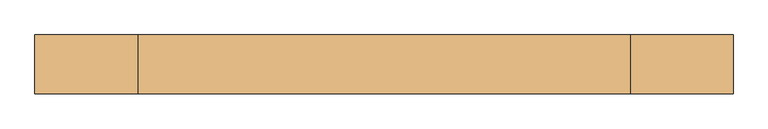
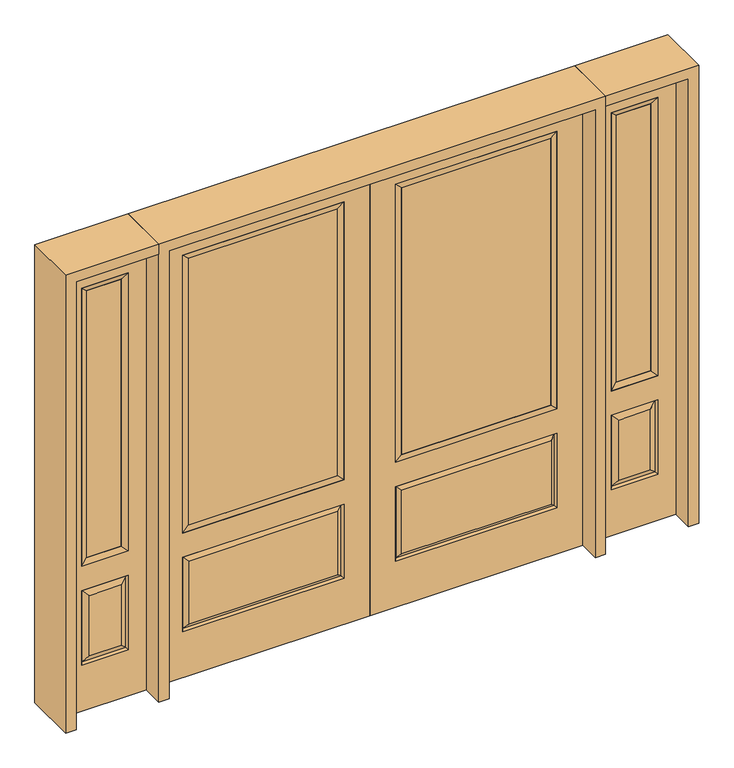
"""IFC4 building model written with IfcOpenShell, lengths in millimetres: door geometry."""

from ifc_helpers import new_model, si_unit, frame, origin, place, context, project, spatial, polyline, outline, extrude, faceted_brep, source, transform, mapped, element, save


def door_a776c0f4(model_context):
    return source(origin(), model_context, "Body", "SolidModel", [
        faceted_brep([(796.1661499, -12.7912373, 216.6588501), (778.66875, -22.225, 234.15625), (135.73125, -22.225, 234.15625), (118.2338501, -12.7912373, 216.6588501), (111.125, -22.225, 209.55), (803.275, -22.225, 209.55), (803.275, -22.225, 546.1), (796.1661499, -12.7912373, 538.9911499), (0.0, -22.225, 2032.0), (0.0, -22.225, 0.0), (914.4, -22.225, 0.0), (914.4, -22.225, 2032.0), (111.125, -22.225, 546.1), (111.125, -22.225, 1917.7), (803.275, -22.225, 1917.7), (803.275, -22.225, 657.098), (111.125, -22.225, 657.098), (778.66875, -22.225, 521.49375), (135.73125, -22.225, 521.49375), (118.2338501, -12.7912373, 538.9911499), (914.4, 22.225, 0.0), (914.4, 22.225, 2032.0), (0.0, 22.225, 0.0), (0.0, 22.225, 2032.0), (111.125, 22.225, 657.098), (111.125, 22.225, 1917.7), (803.275, 22.225, 657.098), (803.275, 22.225, 1917.7), (135.73125, 22.225, 234.15625), (135.73125, 22.225, 521.49375), (778.66875, 22.225, 521.49375), (778.66875, 22.225, 234.15625), (803.275, 22.225, 209.55), (803.275, 22.225, 546.1), (111.125, 22.225, 546.1), (111.125, 22.225, 209.55), (118.2338501, 12.7912373, 216.6588501), (796.1661499, 12.7912373, 216.6588501), (118.2338501, 12.7912373, 538.9911499), (796.1661499, 12.7912373, 538.9911499)], [[[0, 1, 2, 3]], [[3, 4, 5, 0]], [[5, 6, 7, 0]], [[8, 9, 10, 11], [4, 12, 6, 5], [13, 14, 15, 16]], [[1, 17, 18, 2]], [[3, 19, 12, 4]], [[2, 18, 19, 3]], [[0, 7, 17, 1]], [[6, 12, 19, 7]], [[7, 19, 18, 17]], [[10, 20, 21, 11]], [[9, 22, 20, 10]], [[8, 23, 22, 9]], [[16, 24, 25, 13]], [[15, 26, 24, 16]], [[14, 27, 26, 15]], [[28, 29, 30, 31]], [[23, 21, 20, 22], [25, 24, 26, 27], [32, 33, 34, 35]], [[32, 35, 36, 37]], [[35, 34, 38, 36]], [[39, 38, 34, 33]], [[37, 39, 33, 32]], [[36, 28, 31, 37]], [[31, 30, 39, 37]], [[30, 29, 38, 39]], [[36, 38, 29, 28]], [[11, 21, 23, 8]], [[13, 25, 27, 14]]]),
        faceted_brep([(803.275, -22.225, 1917.7), (803.275, -22.225, 657.098), (803.275, 22.225, 657.098), (803.275, 22.225, 1917.7), (111.125, -22.225, 657.098), (111.125, 22.225, 657.098), (136.525, 5.08, 682.498), (777.875, 5.08, 682.498), (111.125, -22.225, 1917.7), (111.125, 22.225, 1917.7), (777.875, -20.32, 682.498), (136.525, -20.32, 682.498), (777.875, -20.32, 1892.3), (136.525, -20.32, 1892.3), (777.875, 5.08, 1892.3), (136.525, 5.08, 1892.3)], [[[0, 1, 2, 3]], [[1, 4, 5, 2]], [[2, 5, 6, 7]], [[4, 8, 9, 5]], [[10, 11, 4, 1]], [[12, 10, 1, 0]], [[11, 13, 8, 4]], [[7, 6, 11, 10]], [[14, 7, 10, 12]], [[6, 15, 13, 11]], [[3, 2, 7, 14]], [[5, 9, 15, 6]], [[8, 0, 3, 9]], [[13, 12, 0, 8]], [[15, 14, 12, 13]], [[9, 3, 14, 15]]]),
        extrude(outline(polyline([(136.525, -20.32), (136.525, 5.08), (777.875, 5.08), (777.875, -20.32), (136.525, -20.32)])), frame((0.0, 0.0, 682.498), z_axis=(0.0, 0.0, 1.0), x_axis=(1.0, 0.0, 0.0)), (0.0, 0.0, 1.0), 1209.802),
        faceted_brep([(958.85, -22.225, 0.0), (1314.45, -22.225, 0.0), (1314.45, -22.225, 2032.0), (958.85, -22.225, 2032.0), (1236.98, -22.225, 1919.224), (1236.98, -22.225, 657.098), (1036.32, -22.225, 657.098), (1036.32, -22.225, 1919.224), (1236.98, -22.225, 209.55), (1036.32, -22.225, 209.55), (1036.32, -22.225, 546.1), (1236.98, -22.225, 546.1), (1068.0351001, -22.225, 241.2651001), (1205.2648999, -22.225, 241.2651001), (1205.2648999, -22.225, 514.3848999), (1068.0351001, -22.225, 514.3848999), (958.85, 22.225, 0.0), (958.85, 22.225, 2032.0), (1314.45, 22.225, 2032.0), (1314.45, 22.225, 0.0), (1236.98, 22.225, 1919.224), (1036.32, 22.225, 1919.224), (1036.32, 22.225, 657.098), (1236.98, 22.225, 657.098), (1036.32, 22.225, 209.55), (1236.98, 22.225, 209.55), (1236.98, 22.225, 546.1), (1036.32, 22.225, 546.1), (1205.2648999, 22.225, 241.2651001), (1068.0351001, 22.225, 241.2651001), (1068.0351001, 22.225, 514.3848999), (1205.2648999, 22.225, 514.3848999), (1229.8711499, 12.7912373, 216.6588501), (1043.4288501, 12.7912373, 216.6588501), (1043.4288501, 12.7912373, 538.9911499), (1229.8711499, 12.7912373, 538.9911499), (1043.4288501, -12.7912373, 216.6588501), (1229.8711499, -12.7912373, 216.6588501), (1043.4288501, -12.7912373, 538.9911499), (1229.8711499, -12.7912373, 538.9911499)], [[[0, 1, 2, 3], [4, 5, 6, 7], [8, 9, 10, 11]], [[12, 13, 14, 15]], [[16, 17, 18, 19], [20, 21, 22, 23], [24, 25, 26, 27]], [[28, 29, 30, 31]], [[1, 0, 16, 19]], [[2, 1, 19, 18]], [[3, 2, 18, 17]], [[0, 3, 17, 16]], [[5, 4, 20, 23]], [[6, 5, 23, 22]], [[7, 6, 22, 21]], [[4, 7, 21, 20]], [[32, 33, 29, 28]], [[33, 32, 25, 24]], [[29, 33, 34, 30]], [[33, 24, 27, 34]], [[30, 34, 35, 31]], [[34, 27, 26, 35]], [[32, 28, 31, 35]], [[25, 32, 35, 26]], [[12, 36, 37, 13]], [[37, 36, 9, 8]], [[36, 12, 15, 38]], [[9, 36, 38, 10]], [[38, 15, 14, 39]], [[10, 38, 39, 11]], [[13, 37, 39, 14]], [[37, 8, 11, 39]]]),
        faceted_brep([(1036.32, 22.225, 1919.224), (1036.32, -22.225, 1919.224), (1236.98, -22.225, 1919.224), (1236.98, 22.225, 1919.224), (1061.72, 12.7, 1893.824), (1211.58, 12.7, 1893.824), (1061.72, -12.7, 1893.824), (1211.58, -12.7, 1893.824), (1236.98, -22.225, 657.098), (1236.98, 22.225, 657.098), (1211.58, 12.7, 682.498), (1211.58, -12.7, 682.498), (1036.32, -22.225, 657.098), (1036.32, 22.225, 657.098), (1061.72, 12.7, 682.498), (1061.72, -12.7, 682.498)], [[[0, 1, 2, 3]], [[4, 0, 3, 5]], [[6, 4, 5, 7]], [[1, 6, 7, 2]], [[3, 2, 8, 9]], [[5, 3, 9, 10]], [[7, 5, 10, 11]], [[2, 7, 11, 8]], [[9, 8, 12, 13]], [[10, 9, 13, 14]], [[11, 10, 14, 15]], [[8, 11, 15, 12]], [[13, 12, 1, 0]], [[14, 13, 0, 4]], [[15, 14, 4, 6]], [[12, 15, 6, 1]]]),
        extrude(outline(polyline([(1211.58, -12.7), (1061.72, -12.7), (1061.72, 12.7), (1211.58, 12.7), (1211.58, -12.7)])), frame((0.0, 0.0, 682.498), z_axis=(0.0, 0.0, 1.0), x_axis=(1.0, 0.0, 0.0)), (0.0, 0.0, 1.0), 1211.326),
        faceted_brep([(-1314.45, -22.225, 0.0), (-958.85, -22.225, 0.0), (-958.85, -22.225, 2032.0), (-1314.45, -22.225, 2032.0), (-1036.32, -22.225, 1919.224), (-1036.32, -22.225, 657.098), (-1236.98, -22.225, 657.098), (-1236.98, -22.225, 1919.224), (-1036.32, -22.225, 209.55), (-1236.98, -22.225, 209.55), (-1236.98, -22.225, 546.1), (-1036.32, -22.225, 546.1), (-1205.2648999, -22.225, 241.2651001), (-1068.0351001, -22.225, 241.2651001), (-1068.0351001, -22.225, 514.3848999), (-1205.2648999, -22.225, 514.3848999), (-1314.45, 22.225, 0.0), (-1314.45, 22.225, 2032.0), (-958.85, 22.225, 2032.0), (-958.85, 22.225, 0.0), (-1036.32, 22.225, 1919.224), (-1236.98, 22.225, 1919.224), (-1236.98, 22.225, 657.098), (-1036.32, 22.225, 657.098), (-1236.98, 22.225, 209.55), (-1036.32, 22.225, 209.55), (-1036.32, 22.225, 546.1), (-1236.98, 22.225, 546.1), (-1068.0351001, 22.225, 241.2651001), (-1205.2648999, 22.225, 241.2651001), (-1205.2648999, 22.225, 514.3848999), (-1068.0351001, 22.225, 514.3848999), (-1043.4288501, 12.7912373, 216.6588501), (-1229.8711499, 12.7912373, 216.6588501), (-1229.8711499, 12.7912373, 538.9911499), (-1043.4288501, 12.7912373, 538.9911499), (-1229.8711499, -12.7912373, 216.6588501), (-1043.4288501, -12.7912373, 216.6588501), (-1229.8711499, -12.7912373, 538.9911499), (-1043.4288501, -12.7912373, 538.9911499)], [[[0, 1, 2, 3], [4, 5, 6, 7], [8, 9, 10, 11]], [[12, 13, 14, 15]], [[16, 17, 18, 19], [20, 21, 22, 23], [24, 25, 26, 27]], [[28, 29, 30, 31]], [[1, 0, 16, 19]], [[2, 1, 19, 18]], [[3, 2, 18, 17]], [[0, 3, 17, 16]], [[5, 4, 20, 23]], [[6, 5, 23, 22]], [[7, 6, 22, 21]], [[4, 7, 21, 20]], [[32, 33, 29, 28]], [[33, 32, 25, 24]], [[29, 33, 34, 30]], [[33, 24, 27, 34]], [[30, 34, 35, 31]], [[34, 27, 26, 35]], [[32, 28, 31, 35]], [[25, 32, 35, 26]], [[12, 36, 37, 13]], [[37, 36, 9, 8]], [[36, 12, 15, 38]], [[9, 36, 38, 10]], [[38, 15, 14, 39]], [[10, 38, 39, 11]], [[13, 37, 39, 14]], [[37, 8, 11, 39]]]),
        faceted_brep([(-1236.98, 22.225, 1919.224), (-1236.98, -22.225, 1919.224), (-1036.32, -22.225, 1919.224), (-1036.32, 22.225, 1919.224), (-1211.58, 12.7, 1893.824), (-1061.72, 12.7, 1893.824), (-1211.58, -12.7, 1893.824), (-1061.72, -12.7, 1893.824), (-1036.32, -22.225, 657.098), (-1036.32, 22.225, 657.098), (-1061.72, 12.7, 682.498), (-1061.72, -12.7, 682.498), (-1236.98, -22.225, 657.098), (-1236.98, 22.225, 657.098), (-1211.58, 12.7, 682.498), (-1211.58, -12.7, 682.498)], [[[0, 1, 2, 3]], [[4, 0, 3, 5]], [[6, 4, 5, 7]], [[1, 6, 7, 2]], [[3, 2, 8, 9]], [[5, 3, 9, 10]], [[7, 5, 10, 11]], [[2, 7, 11, 8]], [[9, 8, 12, 13]], [[10, 9, 13, 14]], [[11, 10, 14, 15]], [[8, 11, 15, 12]], [[13, 12, 1, 0]], [[14, 13, 0, 4]], [[15, 14, 4, 6]], [[12, 15, 6, 1]]]),
        extrude(outline(polyline([(-1061.72, -12.7), (-1211.58, -12.7), (-1211.58, 12.7), (-1061.72, 12.7), (-1061.72, -12.7)])), frame((0.0, 0.0, 682.498), z_axis=(0.0, 0.0, 1.0), x_axis=(1.0, 0.0, 0.0)), (0.0, 0.0, 1.0), 1211.326),
        faceted_brep([(-796.1661499, -12.7912373, 216.6588501), (-118.2338501, -12.7912373, 216.6588501), (-135.73125, -22.225, 234.15625), (-778.66875, -22.225, 234.15625), (-803.275, -22.225, 209.55), (-111.125, -22.225, 209.55), (-796.1661499, -12.7912373, 538.9911499), (-803.275, -22.225, 546.1), (-135.73125, -22.225, 521.49375), (-778.66875, -22.225, 521.49375), (0.0, -22.225, 2032.0), (-914.4, -22.225, 2032.0), (-914.4, -22.225, 0.0), (0.0, -22.225, 0.0), (-111.125, -22.225, 546.1), (-111.125, -22.225, 1917.7), (-111.125, -22.225, 657.098), (-803.275, -22.225, 657.098), (-803.275, -22.225, 1917.7), (-118.2338501, -12.7912373, 538.9911499), (-914.4, 22.225, 2032.0), (-914.4, 22.225, 0.0), (0.0, 22.225, 0.0), (0.0, 22.225, 2032.0), (-111.125, 22.225, 1917.7), (-111.125, 22.225, 657.098), (-803.275, 22.225, 657.098), (-803.275, 22.225, 1917.7), (-803.275, 22.225, 209.55), (-111.125, 22.225, 209.55), (-111.125, 22.225, 546.1), (-803.275, 22.225, 546.1), (-135.73125, 22.225, 234.15625), (-778.66875, 22.225, 234.15625), (-778.66875, 22.225, 521.49375), (-135.73125, 22.225, 521.49375), (-796.1661499, 12.7912373, 216.6588501), (-118.2338501, 12.7912373, 216.6588501), (-118.2338501, 12.7912373, 538.9911499), (-796.1661499, 12.7912373, 538.9911499)], [[[0, 1, 2, 3]], [[1, 0, 4, 5]], [[4, 0, 6, 7]], [[3, 2, 8, 9]], [[10, 11, 12, 13], [5, 4, 7, 14], [15, 16, 17, 18]], [[1, 5, 14, 19]], [[2, 1, 19, 8]], [[0, 3, 9, 6]], [[7, 6, 19, 14]], [[6, 9, 8, 19]], [[12, 11, 20, 21]], [[13, 12, 21, 22]], [[10, 13, 22, 23]], [[16, 15, 24, 25]], [[17, 16, 25, 26]], [[18, 17, 26, 27]], [[23, 22, 21, 20], [28, 29, 30, 31], [24, 27, 26, 25]], [[32, 33, 34, 35]], [[28, 36, 37, 29]], [[29, 37, 38, 30]], [[39, 31, 30, 38]], [[36, 28, 31, 39]], [[37, 36, 33, 32]], [[33, 36, 39, 34]], [[34, 39, 38, 35]], [[37, 32, 35, 38]], [[11, 10, 23, 20]], [[15, 18, 27, 24]]]),
        faceted_brep([(-803.275, -22.225, 1917.7), (-803.275, 22.225, 1917.7), (-803.275, 22.225, 657.098), (-803.275, -22.225, 657.098), (-111.125, 22.225, 657.098), (-111.125, -22.225, 657.098), (-777.875, 5.08, 682.498), (-136.525, 5.08, 682.498), (-111.125, 22.225, 1917.7), (-111.125, -22.225, 1917.7), (-777.875, -20.32, 682.498), (-136.525, -20.32, 682.498), (-777.875, -20.32, 1892.3), (-136.525, -20.32, 1892.3), (-777.875, 5.08, 1892.3), (-136.525, 5.08, 1892.3)], [[[0, 1, 2, 3]], [[3, 2, 4, 5]], [[2, 6, 7, 4]], [[5, 4, 8, 9]], [[10, 3, 5, 11]], [[12, 0, 3, 10]], [[11, 5, 9, 13]], [[6, 10, 11, 7]], [[14, 12, 10, 6]], [[7, 11, 13, 15]], [[1, 14, 6, 2]], [[4, 7, 15, 8]], [[9, 8, 1, 0]], [[13, 9, 0, 12]], [[15, 13, 12, 14]], [[8, 15, 14, 1]]]),
        extrude(outline(polyline([(-136.525, -20.32), (-777.875, -20.32), (-777.875, 5.08), (-136.525, 5.08), (-136.525, -20.32)])), frame((0.0, 0.0, 682.498), z_axis=(0.0, 0.0, 1.0), x_axis=(1.0, 0.0, 0.0)), (0.0, 0.0, 1.0), 1209.802),
        extrude(outline(polyline([(2032.0, -958.85), (2076.45, -958.85), (2076.45, -1358.9), (0.0, -1358.9), (0.0, -1314.45), (2032.0, -1314.45), (2032.0, -958.85)])), frame((0.0, -114.3, 0.0), z_axis=(0.0, 1.0, 0.0), x_axis=(0.0, 0.0, 1.0)), (0.0, 0.0, 1.0), 228.6),
        extrude(outline(polyline([(2076.45, -958.85), (0.0, -958.85), (0.0, -914.4), (2032.0, -914.4), (2032.0, 914.4), (0.0, 914.4), (0.0, 958.85), (2076.45, 958.85), (2076.45, -958.85)])), frame((0.0, -114.3, 0.0), z_axis=(0.0, 1.0, 0.0), x_axis=(0.0, 0.0, 1.0)), (0.0, 0.0, 1.0), 228.6),
        extrude(outline(polyline([(0.0, 1314.45), (0.0, 1358.9), (2076.45, 1358.9), (2076.45, 958.85), (2032.0, 958.85), (2032.0, 1314.45), (0.0, 1314.45)])), frame((0.0, -114.3, 0.0), z_axis=(0.0, 1.0, 0.0), x_axis=(0.0, 0.0, 1.0)), (0.0, 0.0, 1.0), 228.6),
    ])


if __name__ == "__main__":
    model = new_model("IFC4")
    model_context = context("Model", 3, world=origin())
    ifc_project = project(units=[si_unit("LENGTHUNIT", "METRE", prefix="MILLI")], contexts=[model_context])
    site = spatial("IfcSite", under=ifc_project)
    building = spatial("IfcBuilding", under=site)
    placement = place(None, origin())
    door_shape = door_a776c0f4(model_context)
    element("IfcDoor", 1, at=placement, inside=building, context=model_context, shape_type="MappedRepresentation", body=[
        mapped(door_shape, transform((0.0, 0.0, 0.0), x_axis=(1.0, 0.0, 0.0), y_axis=(0.0, 1.0, 0.0), z_axis=(0.0, 0.0, 1.0))),
    ])
    save(model, "model.ifc")
